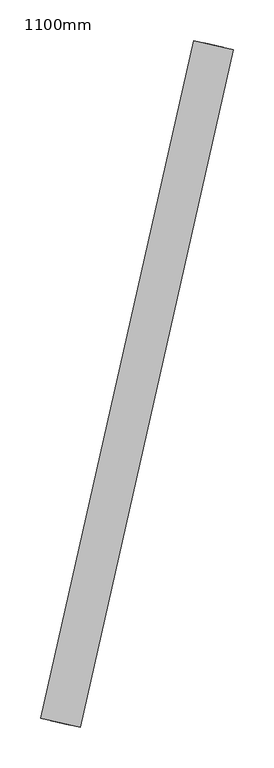
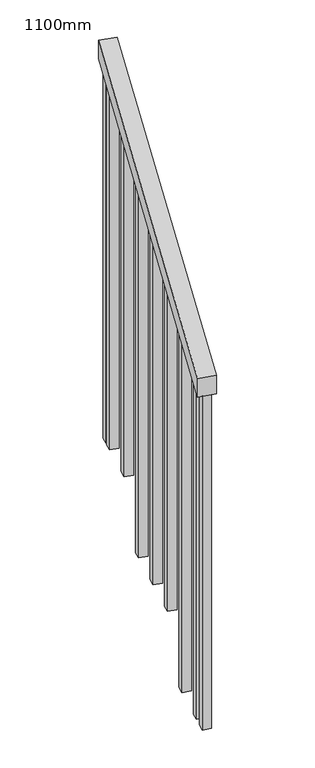
"""IFC4 building model written with IfcOpenShell, lengths in millimetres: railing geometry, 1100mm."""

from ifc_helpers import new_model, si_unit, frame, origin, place, context, project, spatial, polyline, outline, extrude, source, transform, mapped, element, save


def railing_1100mm_de213d1e(model_context):
    return source(origin(), model_context, "Body", "SweptSolid", [
        extrude(outline(polyline([(28.3326602, -50.0), (0.0, 0.0), (983.1553963, 0.0), (1011.4880564, -50.0), (28.3326602, -50.0)])), frame((-247520.204578, -60966.1295299, 1212.530533), z_axis=(-0.975412151226975, 0.22038860051909487, 0.0), x_axis=(0.1917440791738454, 0.8486351123037844, 0.4930037061391297)), (0.0, 0.0, 1.0), 50.0),
        extrude(outline(polyline([(1262.9362614, 25.0), (1262.9362614, 0.0), (92.9168349, 0.0), (107.083165, 25.0), (1262.9362614, 25.0)])), frame((-247350.5766345, -60158.6596476, 1772.9362614), z_axis=(-0.975412151226975, 0.2203886005190949, 0.0), x_axis=(0.0, 0.0, -1.0)), (0.0, 0.0, 1.0), 25.0),
        extrude(outline(polyline([(1192.1046109, 25.0), (1192.1046109, 0.0), (92.916835, 0.0), (107.0831651, 25.0), (1192.1046109, 25.0)])), frame((-247378.1252095, -60280.5861665, 1702.1046109), z_axis=(-0.975412151226975, 0.2203886005190949, 0.0), x_axis=(0.0, 0.0, -1.0)), (0.0, 0.0, 1.0), 25.0),
        extrude(outline(polyline([(1291.2729604, 25.0), (1291.2729604, 0.0), (92.916835, 0.0), (107.0831651, 25.0), (1291.2729604, 25.0)])), frame((-247405.6737846, -60402.5126854, 1631.2729604), z_axis=(-0.975412151226975, 0.2203886005190949, 0.0), x_axis=(0.0, 0.0, -1.0)), (0.0, 0.0, 1.0), 25.0),
        extrude(outline(polyline([(1220.4413098, 25.0), (1220.4413098, 0.0), (92.9168349, 0.0), (107.083165, 25.0), (1220.4413098, 25.0)])), frame((-247433.2223597, -60524.4392043, 1560.4413098), z_axis=(-0.975412151226975, 0.2203886005190949, 0.0), x_axis=(0.0, 0.0, -1.0)), (0.0, 0.0, 1.0), 25.0),
        extrude(outline(polyline([(1149.6136981, 25.0), (1149.6136981, 0.0), (92.916835, 0.0), (107.0831651, 25.0), (1149.6136981, 25.0)])), frame((-247460.7709347, -60646.3657232, 1489.6136981), z_axis=(-0.975412151226975, 0.2203886005190949, 0.0), x_axis=(0.0, 0.0, -1.0)), (0.0, 0.0, 1.0), 25.0),
        extrude(outline(polyline([(1248.7780088, 25.0), (1248.7780088, 0.0), (92.916835, 0.0), (107.0831651, 25.0), (1248.7780088, 25.0)])), frame((-247488.3195098, -60768.2922421, 1418.7780088), z_axis=(-0.975412151226975, 0.2203886005190949, 0.0), x_axis=(0.0, 0.0, -1.0)), (0.0, 0.0, 1.0), 25.0),
        extrude(outline(polyline([(1177.9463583, 25.0), (1177.9463583, 0.0), (92.916835, 0.0), (107.0831651, 25.0), (1177.9463583, 25.0)])), frame((-247515.8680849, -60890.218761, 1347.9463583), z_axis=(-0.975412151226975, 0.2203886005190949, 0.0), x_axis=(0.0, 0.0, -1.0)), (0.0, 0.0, 1.0), 25.0),
        extrude(outline(polyline([(1280.146622, 24.9999999), (1280.146622, 0.0), (92.9168349, 0.0), (107.083165, 24.9999999), (1280.146622, 24.9999999)])), frame((-247343.8830038, -60129.0344823, 1790.146622), z_axis=(-0.975412151226975, 0.2203886005190949, 0.0), x_axis=(0.0, 0.0, -1.0)), (0.0, 0.0, 1.0), 25.0),
        extrude(outline(polyline([(1149.6136981, 25.0), (1149.6136981, 0.0), (92.916835, 0.0), (107.0831651, 25.0), (1149.6136981, 25.0)])), frame((-247526.8875149, -60938.9893686, 1319.6136981), z_axis=(-0.975412151226975, 0.2203886005190949, 0.0), x_axis=(0.0, 0.0, -1.0)), (0.0, 0.0, 1.0), 25.0),
    ])


if __name__ == "__main__":
    model = new_model("IFC4")
    model_context = context("Model", 3, world=origin())
    ifc_project = project(units=[si_unit("LENGTHUNIT", "METRE", prefix="MILLI")], contexts=[model_context])
    site = spatial("IfcSite", under=ifc_project)
    building = spatial("IfcBuilding", under=site)
    placement = place(None, origin())
    railing_1100mm_shape = railing_1100mm_de213d1e(model_context)
    element("IfcRailing", 1, ObjectType="1100mm", at=placement, inside=building, context=model_context, shape_type="MappedRepresentation", body=[
        mapped(railing_1100mm_shape, transform((0.0, 0.0, 0.0), x_axis=(1.0, 0.0, 0.0), y_axis=(0.0, 1.0, 0.0), z_axis=(0.0, 0.0, 1.0))),
    ])
    save(model, "model.ifc")
